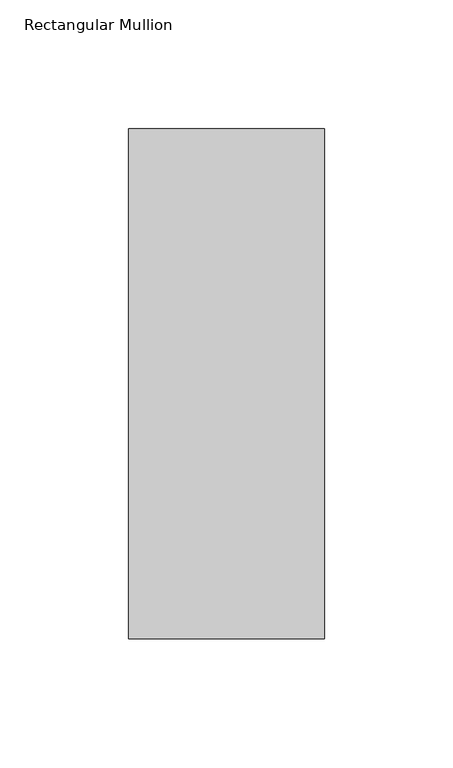
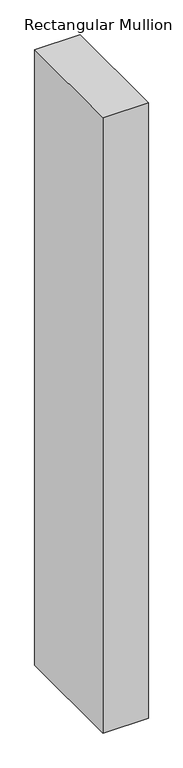
"""IFC4 building model written with IfcOpenShell, lengths in millimetres: member geometry, Rectangular Mullion."""

from ifc_helpers import new_model, si_unit, frame, origin, place, context, project, spatial, polyline, outline, extrude, source, transform, mapped, element, save


def rectangular_mullion_1302332b(model_context):
    return source(origin(), model_context, "Body", "SweptSolid", [
        extrude(outline(polyline([(38.1, -156.36875), (-38.1, -156.36875), (-38.1, 42.06875), (38.1, 42.06875), (38.1, -156.36875)])), frame((0.0, 0.0, -1092.2), z_axis=(0.0, 0.0, 1.0), x_axis=(1.0, 0.0, 0.0)), (0.0, 0.0, 1.0), 1092.2),
    ])


if __name__ == "__main__":
    model = new_model("IFC4")
    model_context = context("Model", 3, world=origin())
    ifc_project = project(units=[si_unit("LENGTHUNIT", "METRE", prefix="MILLI")], contexts=[model_context])
    site = spatial("IfcSite", under=ifc_project)
    building = spatial("IfcBuilding", under=site)
    placement = place(None, origin())
    rectangular_mullion_shape = rectangular_mullion_1302332b(model_context)
    element("IfcMember", 1, ObjectType="Rectangular Mullion", at=placement, inside=building, context=model_context, shape_type="MappedRepresentation", body=[
        mapped(rectangular_mullion_shape, transform((0.0, 0.0, 0.0), x_axis=(1.0, 0.0, 0.0), y_axis=(0.0, 1.0, 0.0), z_axis=(0.0, 0.0, 1.0))),
    ])
    save(model, "model.ifc")
